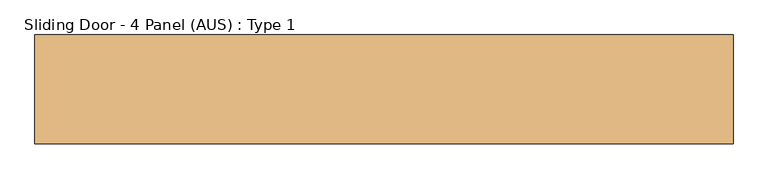
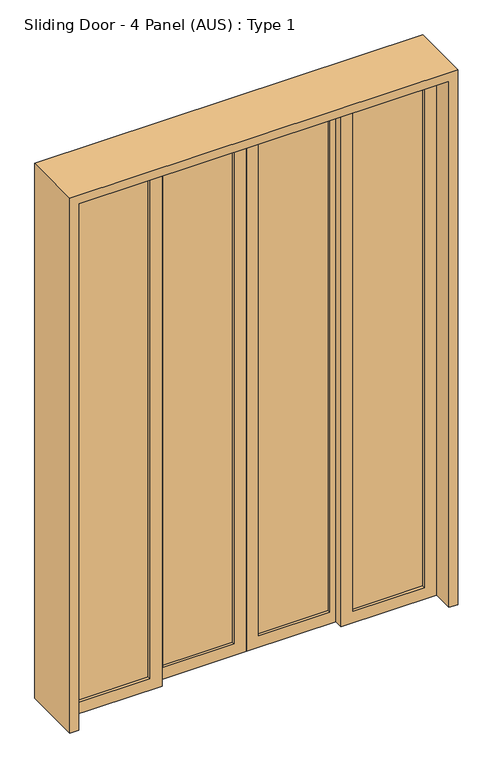
"""IFC4 building model written with IfcOpenShell, lengths in millimetres: door geometry, Sliding Door - 4 Panel (AUS) : Type 1."""

from ifc_helpers import new_model, si_unit, frame, origin, place, context, project, spatial, polyline, outline, extrude, source, transform, mapped, element, save


def sliding_door_4_panel_aus_type_1_a68d9bdc(model_context):
    return source(origin(), model_context, "Body", "SweptSolid", [
        extrude(outline(polyline([(862.7580012, -13.3333333), (862.7580012, -26.6666667), (543.0080012, -26.6666667), (543.0080012, -13.3333333), (862.7580012, -13.3333333)])), frame((0.0, 0.0, 55.0), z_axis=(0.0, 0.0, 1.0), x_axis=(1.0, 0.0, 0.0)), (0.0, 0.0, 1.0), 2390.0),
        extrude(outline(polyline([(0.0, 917.7580012), (2500.0, 917.7580012), (2500.0, 488.0080012), (0.0, 488.0080012), (0.0, 917.7580012)]), holes=[polyline([(55.0, 862.7580012), (55.0, 543.0080012), (2445.0, 543.0080012), (2445.0, 862.7580012), (55.0, 862.7580012)])]), frame((0.0, -40.0, 0.0), z_axis=(0.0, 1.0, 0.0), x_axis=(0.0, 0.0, 1.0)), (0.0, 0.0, 1.0), 40.0),
        extrude(outline(polyline([(460.5080012, 26.6666667), (460.5080012, 13.3333333), (140.7580012, 13.3333333), (140.7580012, 26.6666667), (460.5080012, 26.6666667)])), frame((0.0, 0.0, 55.0), z_axis=(0.0, 0.0, 1.0), x_axis=(1.0, 0.0, 0.0)), (0.0, 0.0, 1.0), 2390.0),
        extrude(outline(polyline([(0.0, 515.5080012), (2500.0, 515.5080012), (2500.0, 85.7580012), (0.0, 85.7580012), (0.0, 515.5080012)]), holes=[polyline([(55.0, 460.5080012), (55.0, 140.7580012), (2445.0, 140.7580012), (2445.0, 460.5080012), (55.0, 460.5080012)])]), frame((0.0, 0.0, 0.0), z_axis=(0.0, 1.0, 0.0), x_axis=(0.0, 0.0, 1.0)), (0.0, 0.0, 1.0), 40.0),
        extrude(outline(polyline([(30.7580012, 26.6666667), (30.7580012, 13.3333333), (-288.9919988, 13.3333333), (-288.9919988, 26.6666667), (30.7580012, 26.6666667)])), frame((0.0, 0.0, 55.0), z_axis=(0.0, 0.0, 1.0), x_axis=(1.0, 0.0, 0.0)), (0.0, 0.0, 1.0), 2390.0),
        extrude(outline(polyline([(0.0, 85.7580012), (2500.0, 85.7580012), (2500.0, -343.9919988), (0.0, -343.9919988), (0.0, 85.7580012)]), holes=[polyline([(55.0, 30.7580012), (55.0, -288.9919988), (2445.0, -288.9919988), (2445.0, 30.7580012), (55.0, 30.7580012)])]), frame((0.0, 0.0, 0.0), z_axis=(0.0, 1.0, 0.0), x_axis=(0.0, 0.0, 1.0)), (0.0, 0.0, 1.0), 40.0),
        extrude(outline(polyline([(-371.4919988, -13.3333333), (-371.4919988, -26.6666667), (-691.2419988, -26.6666667), (-691.2419988, -13.3333333), (-371.4919988, -13.3333333)])), frame((0.0, 0.0, 55.0), z_axis=(0.0, 0.0, 1.0), x_axis=(1.0, 0.0, 0.0)), (0.0, 0.0, 1.0), 2390.0),
        extrude(outline(polyline([(0.0, -316.4919988), (2500.0, -316.4919988), (2500.0, -746.2419988), (0.0, -746.2419988), (0.0, -316.4919988)]), holes=[polyline([(55.0, -371.4919988), (55.0, -691.2419988), (2445.0, -691.2419988), (2445.0, -371.4919988), (55.0, -371.4919988)])]), frame((0.0, -40.0, 0.0), z_axis=(0.0, 1.0, 0.0), x_axis=(0.0, 0.0, 1.0)), (0.0, 0.0, 1.0), 40.0),
        extrude(outline(polyline([(0.0, -786.2419988), (0.0, -746.2419988), (2500.0, -746.2419988), (2500.0, 917.7580012), (0.0, 917.7580012), (0.0, 957.7580012), (2540.0, 957.7580012), (2540.0, -786.2419988), (0.0, -786.2419988)])), frame((0.0, -136.0, 0.0), z_axis=(0.0, 1.0, 0.0), x_axis=(0.0, 0.0, 1.0)), (0.0, 0.0, 1.0), 272.0),
    ])


if __name__ == "__main__":
    model = new_model("IFC4")
    model_context = context("Model", 3, world=origin())
    ifc_project = project(units=[si_unit("LENGTHUNIT", "METRE", prefix="MILLI")], contexts=[model_context])
    site = spatial("IfcSite", under=ifc_project)
    building = spatial("IfcBuilding", under=site)
    placement = place(None, origin())
    sliding_door_4_panel_aus_type_1_shape = sliding_door_4_panel_aus_type_1_a68d9bdc(model_context)
    element("IfcDoor", 1, ObjectType="Sliding Door - 4 Panel (AUS) : Type 1", at=placement, inside=building, context=model_context, shape_type="MappedRepresentation", body=[
        mapped(sliding_door_4_panel_aus_type_1_shape, transform((0.0, 0.0, 0.0), x_axis=(1.0, 0.0, 0.0), y_axis=(0.0, 1.0, 0.0), z_axis=(0.0, 0.0, 1.0))),
    ])
    save(model, "model.ifc")
